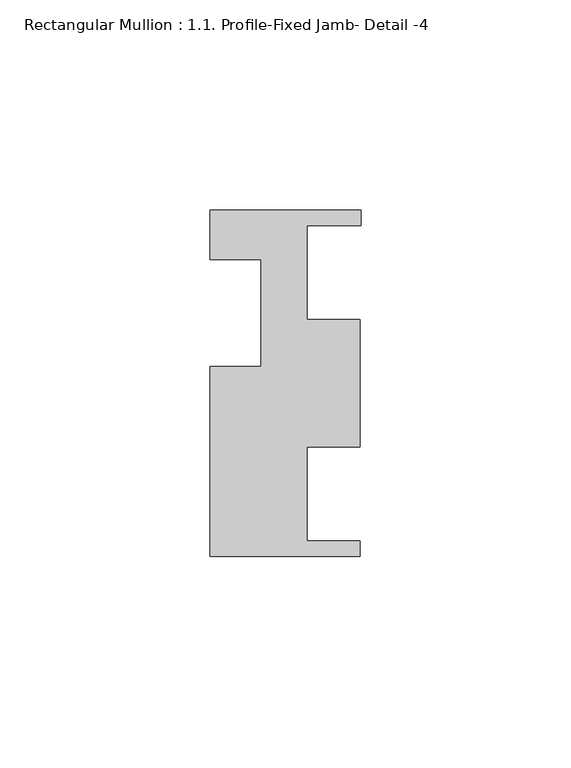
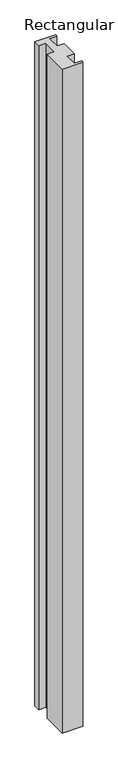
"""IFC4 building model written with IfcOpenShell, lengths in millimetres: member geometry, Rectangular Mullion : 1.1. Profile-Fixed Jamb- Detail -4."""

from ifc_helpers import new_model, si_unit, frame, origin, place, context, project, spatial, polyline, outline, extrude, source, transform, mapped, element, save


def rectangular_mullion_1_1_profile_fixed_jamb_detail_4_b318c3be(model_context):
    return source(origin(), model_context, "Body", "SweptSolid", [
        extrude(outline(polyline([(0.0, 41.5853294), (0.0, 37.8515294), (-12.9286, 37.8515294), (-12.9286, 15.4741294), (-0.2286, 15.4741294), (-0.2286, -14.8534706), (-12.9286, -14.8534706), (-12.9286, -37.2308706), (-0.2286, -37.2308706), (-0.2286, -40.9646706), (-35.9918, -40.9646706), (-35.9918, 4.3489294), (-23.7744, 4.3489294), (-23.7744, 29.7489294), (-35.9918, 29.7489294), (-35.9918, 41.5853294), (0.0, 41.5853294)])), frame((0.0, 0.0, -1219.2), z_axis=(0.0, 0.0, 1.0), x_axis=(1.0, 0.0, 0.0)), (0.0, 0.0, 1.0), 1219.2),
    ])


if __name__ == "__main__":
    model = new_model("IFC4")
    model_context = context("Model", 3, world=origin())
    ifc_project = project(units=[si_unit("LENGTHUNIT", "METRE", prefix="MILLI")], contexts=[model_context])
    site = spatial("IfcSite", under=ifc_project)
    building = spatial("IfcBuilding", under=site)
    placement = place(None, origin())
    rectangular_mullion_1_1_profile_fixed_jamb_detail_4_shape = rectangular_mullion_1_1_profile_fixed_jamb_detail_4_b318c3be(model_context)
    element("IfcMember", 1, ObjectType="Rectangular Mullion : 1.1. Profile-Fixed Jamb- Detail -4", at=placement, inside=building, context=model_context, shape_type="MappedRepresentation", body=[
        mapped(rectangular_mullion_1_1_profile_fixed_jamb_detail_4_shape, transform((0.0, 0.0, 0.0), x_axis=(1.0, 0.0, 0.0), y_axis=(0.0, 1.0, 0.0), z_axis=(0.0, 0.0, 1.0))),
    ])
    save(model, "model.ifc")
